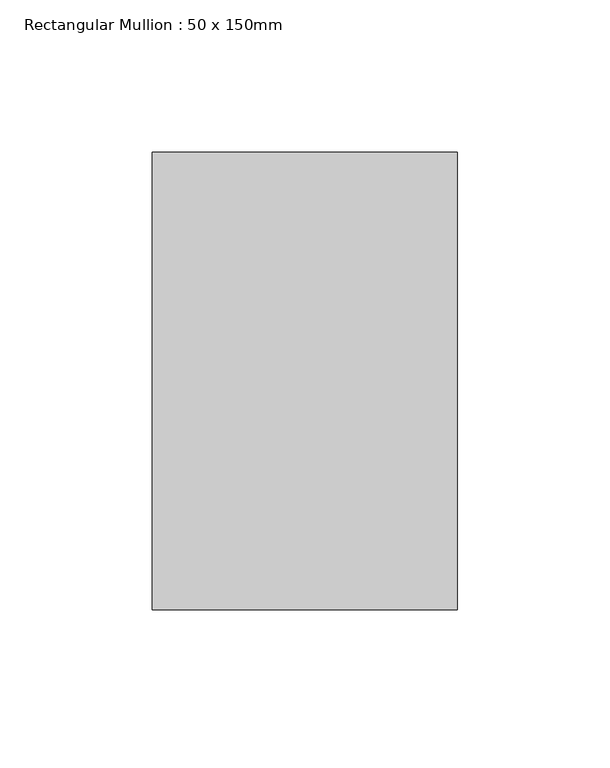
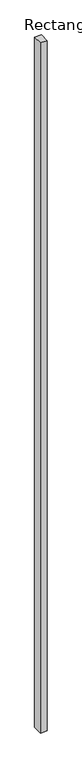
"""IFC4 building model written with IfcOpenShell, lengths in millimetres: member geometry, Rectangular Mullion : 50 x 150mm."""

from ifc_helpers import new_model, si_unit, frame, origin, place, context, project, spatial, polyline, outline, extrude, source, transform, mapped, element, save


def rectangular_mullion_50_x_150mm_8c1d9dca(model_context):
    return source(origin(), model_context, "Body", "SweptSolid", [
        extrude(outline(polyline([(0.0, 75.0), (0.0, -75.0), (-100.0, -75.0), (-100.0, 75.0), (0.0, 75.0)])), frame((0.0, 0.0, -10921.7762889), z_axis=(0.0, 0.0, 1.0), x_axis=(1.0, 0.0, 0.0)), (0.0, 0.0, 1.0), 10921.7762889),
    ])


if __name__ == "__main__":
    model = new_model("IFC4")
    model_context = context("Model", 3, world=origin())
    ifc_project = project(units=[si_unit("LENGTHUNIT", "METRE", prefix="MILLI")], contexts=[model_context])
    site = spatial("IfcSite", under=ifc_project)
    building = spatial("IfcBuilding", under=site)
    placement = place(None, origin())
    rectangular_mullion_50_x_150mm_shape = rectangular_mullion_50_x_150mm_8c1d9dca(model_context)
    element("IfcMember", 1, ObjectType="Rectangular Mullion : 50 x 150mm", at=placement, inside=building, context=model_context, shape_type="MappedRepresentation", body=[
        mapped(rectangular_mullion_50_x_150mm_shape, transform((0.0, 0.0, 0.0), x_axis=(1.0, 0.0, 0.0), y_axis=(0.0, 1.0, 0.0), z_axis=(0.0, 0.0, 1.0))),
    ])
    save(model, "model.ifc")
